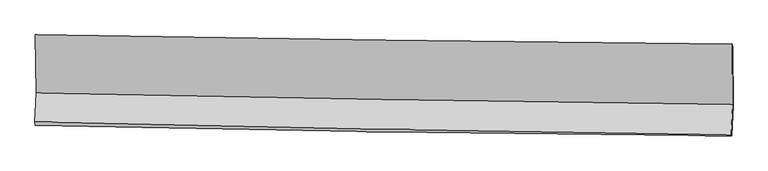
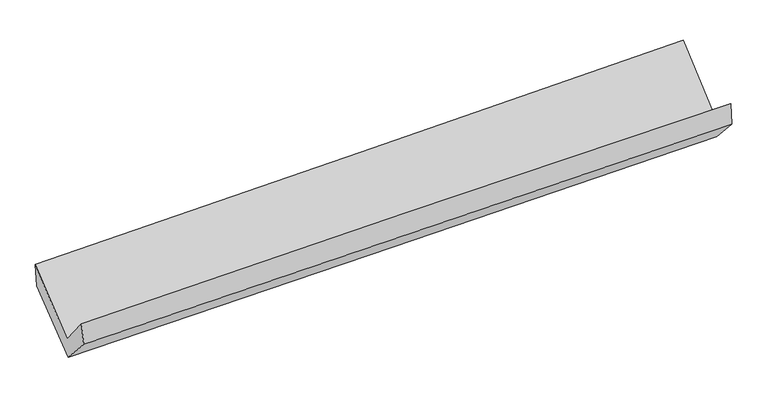
"""IFC4 building model written with IfcOpenShell, lengths in millimetres: proxy geometry."""

from ifc_helpers import new_model, si_unit, frame, origin, place, context, project, spatial, source, transform, mapped, element, save
from ifc_brep_helpers import plane_surface, spline_curve, spline_surface, advanced_brep


def generic_models_3d72311f(model_context):
    return source(origin(), model_context, "Body", "AdvancedBrep", [
        advanced_brep(
        [(-2993.8355377, -1175.8280705, 2170.0093686), (-2986.4597523, -1673.4317765, 1739.1714732), (2977.5851629, -1775.1031672, 1877.3715811), (2974.945847, -1257.2106779, 2335.6670799), (-2997.2628658, -1924.1121463, 2043.3235567), (2966.5754023, -2035.0355359, 2187.7173858), (-2992.3188211, -1951.9170271, 1856.5631699), (2970.9015443, -2045.3989915, 1991.33406), (-2981.8268519, -1687.9542208, 1568.0132011), (2981.5064366, -1780.6423964, 1701.9173403), (-2988.3775072, -1193.9544407, 1968.0278707), (2979.8194177, -1282.7316529, 2105.2720518)],
        [
            (0, 1),
            (1, 2, spline_curve(3, [(-2986.4597523, -1673.4317765, 1739.1714732), (-1992.508483692, -1695.719460612, 1767.034778195), (-998.449302061, -1715.336850086, 1792.484567701), (989.565738977, -1749.225599134, 1838.549720963), (1983.521528938, -1763.498673552, 1859.166634112), (2977.5851629, -1775.1031672, 1877.3715811)], [4, 2, 4], [0.0, 9.79337297451479, 19.583602067009593])),
            (2, 3),
            (3, 0, spline_curve(3, [(2974.945847, -1257.2106779, 2335.6670799), (1980.241274152, -1248.211632139, 2310.327040709), (985.570384461, -1236.931680232, 2283.854609977), (-1004.023432396, -1209.805609845, 2228.636100039), (-1998.946337196, -1193.958025777, 2199.889293946), (-2993.8355377, -1175.8280705, 2170.0093686)], [4, 2, 4], [0.0, 9.790229092494803, 19.583602067009593])),
            (1, 4),
            (4, 5, spline_curve(3, [(-2997.2628658, -1924.1121463, 2043.3235567), (-2003.515889258, -1948.915353372, 2078.693770457), (-1009.576063097, -1970.561550118, 2108.412721132), (978.370149863, -2007.533986458, 2156.540369626), (1972.376413332, -2022.862253298, 2174.952695612), (2966.5754023, -2035.0355359, 2187.7173858)], [4, 2, 4], [0.0, 9.789360750892843, 19.575578907775228])),
            (5, 2),
            (4, 6),
            (6, 7, spline_curve(3, [(-2992.3188211, -1951.9170271, 1856.5631699), (-1998.595211801, -1975.566312304, 1884.988604801), (-1004.718576216, -1995.181721736, 1910.433554688), (983.021644051, -2026.339786859, 1955.355271139), (1976.885130089, -2037.885032446, 1974.833951807), (2970.9015443, -2045.3989915, 1991.33406)], [4, 2, 4], [0.0, 9.788534581381738, 19.573926833971086])),
            (7, 5),
            (6, 8),
            (8, 9, spline_curve(3, [(-2981.8268519, -1687.9542208, 1568.0132011), (-1987.988490845, -1709.112537111, 1593.715909476), (-994.045075069, -1727.416492031, 1617.727461691), (993.732755466, -1758.310717919, 1662.361088984), (1987.56710241, -1770.902821893, 1682.984249837), (2981.5064366, -1780.6423964, 1701.9173403)], [4, 2, 4], [0.0, 9.787623726502918, 19.572105416617326])),
            (9, 7),
            (8, 10),
            (10, 11, spline_curve(3, [(-2988.3775072, -1193.9544407, 1968.0278707), (-1993.655498393, -1210.582527534, 1997.432294618), (-998.864896396, -1226.295712723, 2023.572833796), (990.534122533, -1255.887529512, 2069.318798709), (1985.142495666, -1269.766748229, 2088.926320185), (2979.8194177, -1282.7316529, 2105.2720518)], [4, 2, 4], [0.0, 9.791646437329808, 19.580149546894962])),
            (11, 9),
            (10, 0),
            (3, 11),
        ],
        [
            spline_surface(3, 3, [[(-2993.8355377, -1175.8280705, 2170.0093686), (-1998.946337181, -1193.958025722, 2199.889293954), (-1004.023432243, -1209.805609705, 2228.636100157), (985.570384308, -1236.931680372, 2283.854609859), (1980.241274241, -1248.211632164, 2310.327040763), (2974.945847, -1257.2106779, 2335.6670799)], [(-2991.376942554, -1341.695972519, 2026.396736796), (-1996.80038603, -1361.211837331, 2055.604455338), (-1002.16538884, -1378.316023138, 2083.252255981), (986.902169188, -1407.696320041, 2135.419646885), (1981.334692469, -1419.973979251, 2159.940238529), (2975.825618942, -1429.841507647, 2182.901913637)], [(-2988.918347446, -1507.563874481, 1882.784105004), (-1994.654434916, -1528.465648883, 1911.319616734), (-1000.307345437, -1546.82643649, 1937.868411855), (988.233954069, -1578.460959627, 1986.98468396), (1982.428110771, -1591.736326397, 2009.553436283), (2976.705390958, -1602.472337453, 2030.136747363)], [(-2986.4597523, -1673.4317765, 1739.1714732), (-1992.508483764, -1695.719460492, 1767.034778118), (-998.449302034, -1715.336849924, 1792.484567679), (989.56573895, -1749.225599296, 1838.549720985), (1983.521528999, -1763.498673483, 1859.166634049), (2977.5851629, -1775.1031672, 1877.3715811)]], [4, 4], [4, 2, 4], [0.0, 2.208796958449544], [0.0, 9.79337297451479, 19.583602067009593]),
            spline_surface(3, 3, [[(-2986.4597523, -1673.4317765, 1739.1714732), (-1992.508483764, -1695.719460492, 1767.034778118), (-998.449302034, -1715.336849924, 1792.484567679), (989.56573895, -1749.225599296, 1838.549720985), (1983.521528999, -1763.498673483, 1859.166634049), (2977.5851629, -1775.1031672, 1877.3715811)], [(-2990.060790133, -1756.991899747, 1840.555501051), (-1996.177618936, -1780.118091455, 1870.921108924), (-1002.158222449, -1800.411749934, 1897.793952161), (985.833875922, -1835.328395046, 1944.546603893), (1979.806490427, -1849.953200074, 1964.428654519), (2973.915242704, -1861.747290109, 1980.820182666)], [(-2993.661827967, -1840.552023053, 1941.939528849), (-1999.846754109, -1864.516722477, 1974.807439678), (-1005.867142775, -1885.486649982, 2003.103336605), (982.102012983, -1921.431190834, 2050.543486763), (1976.091451843, -1936.407726637, 2069.690674991), (2970.245322496, -1948.391412991, 2084.268784234)], [(-2997.2628658, -1924.1121463, 2043.3235567), (-2003.51588928, -1948.91535344, 2078.693770484), (-1009.57606319, -1970.561549992, 2108.412721088), (978.370149955, -2007.533986584, 2156.54036967), (1972.37641327, -2022.862253227, 2174.952695461), (2966.5754023, -2035.0355359, 2187.7173858)]], [4, 4], [4, 2, 4], [0.0, 1.33879345115558], [0.0, 9.789360750892843, 19.575578907775228]),
            spline_surface(3, 3, [[(-2997.2628658, -1924.1121463, 2043.3235567), (-2003.51588928, -1948.91535344, 2078.693770484), (-1009.57606319, -1970.561549992, 2108.412721088), (978.370149955, -2007.533986584, 2156.54036967), (1972.37641327, -2022.862253227, 2174.952695461), (2966.5754023, -2035.0355359, 2187.7173858)], [(-2995.614850921, -1933.380439896, 1981.070094423), (-2001.875663496, -1957.799006389, 2014.125381957), (-1007.956900799, -1978.768273892, 2042.419665561), (979.92064798, -2013.802586723, 2089.478670204), (1973.879318846, -2027.869846286, 2108.24644756), (2968.017449647, -2038.490021108, 2122.256277224)], [(-2993.966835979, -1942.648733504, 1918.816632177), (-2000.235437647, -1966.68265935, 1949.556993461), (-1006.337738498, -1986.974997743, 1976.426610059), (981.471145916, -2020.071186813, 2022.416970761), (1975.382224381, -2032.87743932, 2041.540199589), (2969.459496953, -2041.944506292, 2056.795168576)], [(-2992.3188211, -1951.9170271, 1856.5631699), (-1998.595211862, -1975.566312298, 1884.988604934), (-1004.718576107, -1995.181721642, 1910.433554533), (983.021643942, -2026.339786952, 1955.355271294), (1976.885129957, -2037.885032379, 1974.833951688), (2970.9015443, -2045.3989915, 1991.33406)]], [4, 4], [4, 2, 4], [0.0, 0.6588439682585825], [0.0, 9.788534581381738, 19.573926833971086]),
            spline_surface(3, 3, [[(-2992.3188211, -1951.9170271, 1856.5631699), (-1998.595211862, -1975.566312298, 1884.988604934), (-1004.718576107, -1995.181721642, 1910.433554533), (983.021643942, -2026.339786952, 1955.355271294), (1976.885129957, -2037.885032379, 1974.833951688), (2970.9015443, -2045.3989915, 1991.33406)], [(-2988.821498031, -1863.929425008, 1760.37984697), (-1995.059638161, -1886.748387272, 1787.89770641), (-1001.160742401, -1905.926645027, 1812.864856916), (986.592014388, -1936.996763968, 1857.690543906), (1980.445787404, -1948.890962221, 1877.550717731), (2974.436508386, -1957.146793123, 1894.861820084)], [(-2985.324174969, -1775.941822892, 1664.19652403), (-1991.524064467, -1797.930462222, 1690.806807878), (-997.602908643, -1816.67156849, 1715.296159231), (990.162384888, -1847.653741061, 1760.02581645), (1984.006444893, -1859.896892094, 1780.267483823), (2977.971472514, -1868.894594777, 1798.389580216)], [(-2981.8268519, -1687.9542208, 1568.0132011), (-1987.988490766, -1709.112537195, 1593.715909354), (-994.045074937, -1727.416491874, 1617.727461614), (993.732755334, -1758.310718076, 1662.361089062), (1987.567102341, -1770.902821937, 1682.984249866), (2981.5064366, -1780.6423964, 1701.9173403)]], [4, 4], [4, 2, 4], [0.0, 1.302639543567716], [0.0, 9.787623726502918, 19.572105416617326]),
            spline_surface(3, 3, [[(-2981.8268519, -1687.9542208, 1568.0132011), (-1987.988490766, -1709.112537195, 1593.715909354), (-994.045074937, -1727.416491874, 1617.727461614), (993.732755334, -1758.310718076, 1662.361089062), (1987.567102341, -1770.902821937, 1682.984249866), (2981.5064366, -1780.6423964, 1701.9173403)], [(-2984.010403658, -1523.287627435, 1701.351424298), (-1989.877493282, -1542.935867303, 1728.288037741), (-995.651682083, -1560.376232173, 1753.009252286), (992.66654443, -1590.836321893, 1798.01365897), (1986.758900111, -1603.857464074, 1818.298273258), (2980.944096975, -1614.672148571, 1836.368910803)], [(-2986.193955442, -1358.621034065, 1834.689647502), (-1991.766495824, -1376.759197404, 1862.860166136), (-997.258289284, -1393.335972441, 1888.291043002), (991.600333472, -1423.361925678, 1933.666228923), (1985.950697857, -1436.812106196, 1953.61229664), (2980.381757325, -1448.701900729, 1970.820481297)], [(-2988.3775072, -1193.9544407, 1968.0278707), (-1993.655498341, -1210.582527511, 1997.432294523), (-998.86489643, -1226.29571274, 2023.572833674), (990.534122567, -1255.887529495, 2069.318798831), (1985.142495627, -1269.766748333, 2088.926320032), (2979.8194177, -1282.7316529, 2105.2720518)]], [4, 4], [4, 2, 4], [0.0, 2.1185007323463254], [0.0, 9.791646437329808, 19.580149546894962]),
            spline_surface(3, 3, [[(-2988.3775072, -1193.9544407, 1968.0278707), (-1993.655498341, -1210.582527511, 1997.432294523), (-998.86489643, -1226.29571274, 2023.572833674), (990.534122567, -1255.887529495, 2069.318798831), (1985.142495627, -1269.766748333, 2088.926320032), (2979.8194177, -1282.7316529, 2105.2720518)], [(-2990.196850703, -1187.912317295, 2035.355036663), (-1995.41911129, -1205.041026909, 2064.917960997), (-1000.584408368, -1220.799011713, 2091.927255839), (988.879543147, -1249.568913105, 2140.830735844), (1983.508755178, -1262.581709618, 2162.726560262), (2978.194894146, -1274.224661241, 2182.070394486)], [(-2992.016194197, -1181.870193905, 2102.682202637), (-1997.182724232, -1199.499526323, 2132.40362748), (-1002.303920305, -1215.302310732, 2160.281677992), (987.224963728, -1243.250296762, 2212.342672846), (1981.87501469, -1255.396670879, 2236.526800533), (2976.570370554, -1265.717669559, 2258.868737214)], [(-2993.8355377, -1175.8280705, 2170.0093686), (-1998.946337181, -1193.958025722, 2199.889293954), (-1004.023432243, -1209.805609705, 2228.636100157), (985.570384308, -1236.931680372, 2283.854609859), (1980.241274241, -1248.211632164, 2310.327040763), (2974.945847, -1257.2106779, 2335.6670799)]], [4, 4], [4, 2, 4], [0.0, 0.6909647733666009], [0.0, 9.796590160372729, 19.590035405940053]),
            plane_surface(frame((2975.2223018, -1696.0204036, 2033.2132498), z_axis=(0.9996256436468295, -0.015097433513107458, 0.022817538539014772), x_axis=(-0.002632713534446522, 0.7770253031254813, 0.629463856883141))),
            plane_surface(frame((-2990.013556, -1601.1996136, 1890.85144), z_axis=(-0.9995690684903693, 0.009292434857032014, -0.027844711737121518), x_axis=(0.026904522234519588, -0.0893511551065005, -0.9956367398627204))),
        ],
        [
            (0, [[1, 2, 3, 4]]),
            (1, [[5, 6, 7, -2]]),
            (2, [[8, 9, 10, -6]]),
            (3, [[11, 12, 13, -9]]),
            (4, [[14, 15, 16, -12]]),
            (5, [[17, -4, 18, -15]]),
            (6, [[-16, -18, -3, -7, -10, -13]]),
            (7, [[-17, -14, -11, -8, -5, -1]]),
        ],
    ),
    ])


if __name__ == "__main__":
    model = new_model("IFC4")
    model_context = context("Model", 3, world=origin())
    ifc_project = project(units=[si_unit("LENGTHUNIT", "METRE", prefix="MILLI")], contexts=[model_context])
    site = spatial("IfcSite", under=ifc_project)
    building = spatial("IfcBuilding", under=site)
    placement = place(None, origin())
    generic_models_shape = generic_models_3d72311f(model_context)
    element("IfcBuildingElementProxy", 1, Name="Generic Models", at=placement, inside=building, context=model_context, shape_type="MappedRepresentation", body=[
        mapped(generic_models_shape, transform((0.0, 0.0, 0.0), x_axis=(1.0, 0.0, 0.0), y_axis=(0.0, 1.0, 0.0), z_axis=(0.0, 0.0, 1.0))),
    ])
    save(model, "model.ifc")
